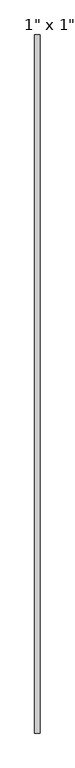
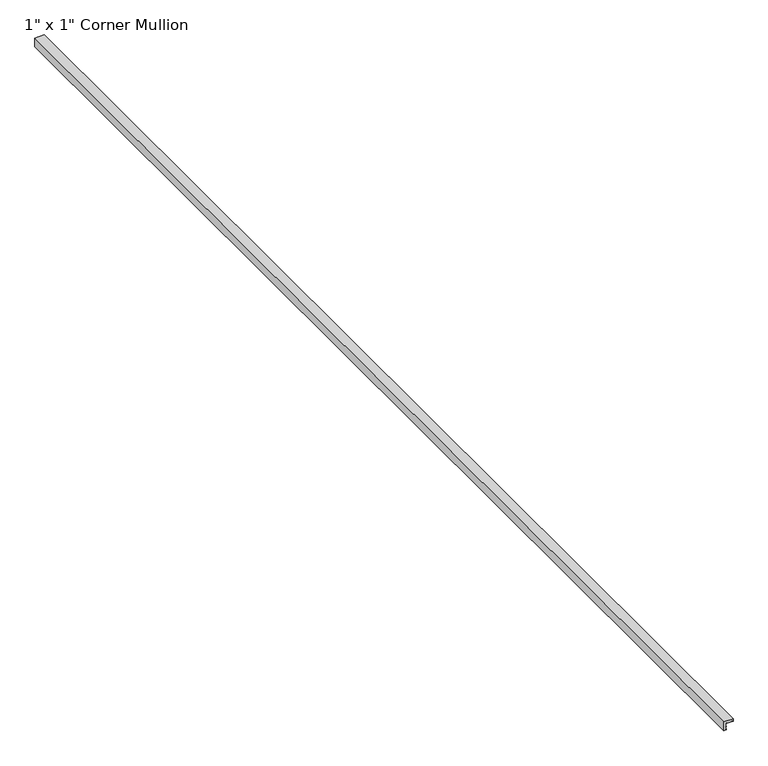
"""IFC4 building model written with IfcOpenShell, lengths in millimetres: proxy geometry."""

from ifc_helpers import new_model, si_unit, frame, origin, place, context, project, spatial, polyline, outline, extrude, source, transform, mapped, element, save


def proxy_fd29b082(model_context):
    return source(origin(), model_context, "Body", "SweptSolid", [
        extrude(outline(polyline([(6.6, -6.6), (-16.4, -6.6), (-16.4, -0.5), (-14.0, -0.5), (-14.0, -1.5), (-9.1, -1.5), (-9.1, 0.0), (-7.6, 0.0), (-7.6, -1.5), (1.5, -1.5), (1.5, 0.3), (0.0, 0.3), (0.0, 12.3), (1.5, 12.3), (1.5, 14.0), (0.5, 14.0), (0.5, 16.4), (6.6, 16.4), (6.6, -6.6)])), frame((0.0, -1460.5, 0.0), z_axis=(0.0, 1.0, 0.0), x_axis=(0.0, 0.0, 1.0)), (0.0, 0.0, 1.0), 2921.0),
    ])


if __name__ == "__main__":
    model = new_model("IFC4")
    model_context = context("Model", 3, world=origin())
    ifc_project = project(units=[si_unit("LENGTHUNIT", "METRE", prefix="MILLI")], contexts=[model_context])
    site = spatial("IfcSite", under=ifc_project)
    building = spatial("IfcBuilding", under=site)
    placement = place(None, origin())
    proxy_shape = proxy_fd29b082(model_context)
    element("IfcBuildingElementProxy", 1, Name="1\" x 1\" Corner Mullion", ObjectType="1\" x 1\" Corner Mullion", at=placement, inside=building, context=model_context, shape_type="MappedRepresentation", body=[
        mapped(proxy_shape, transform((0.0, 0.0, 0.0), x_axis=(1.0, 0.0, 0.0), y_axis=(0.0, 1.0, 0.0), z_axis=(0.0, 0.0, 1.0))),
    ])
    save(model, "model.ifc")
